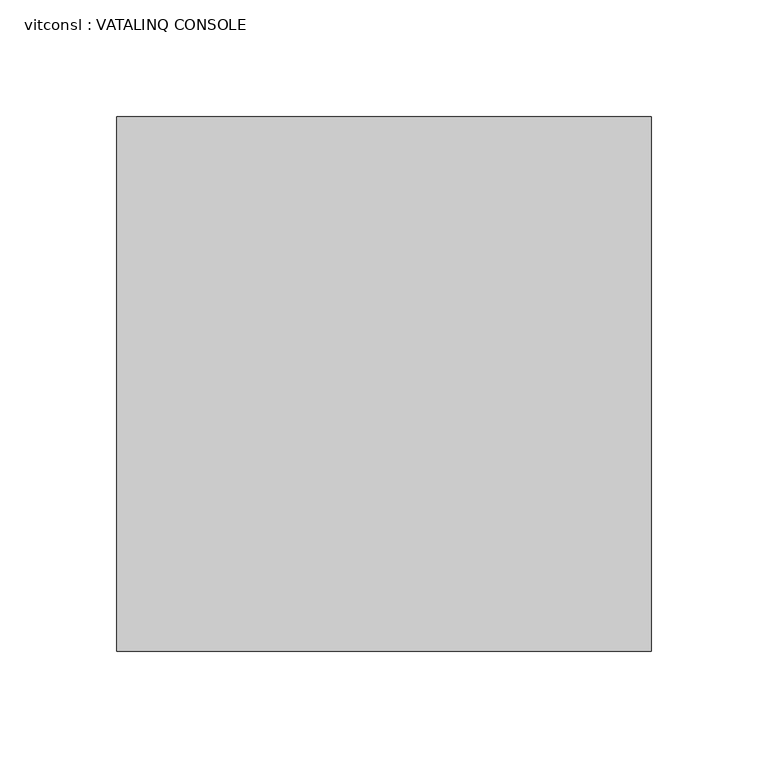
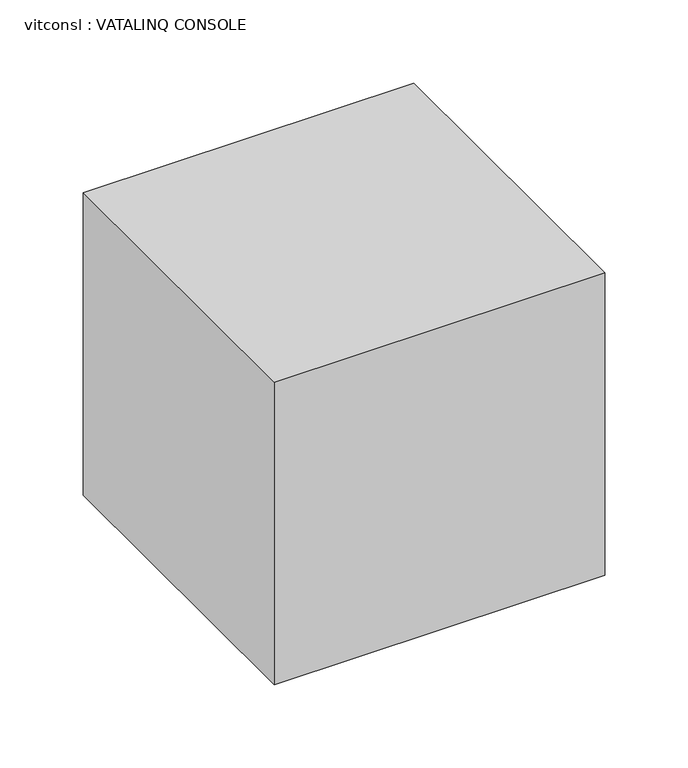
"""IFC4 building model written with IfcOpenShell, lengths in millimetres: proxy geometry, vitconsl : VATALINQ CONSOLE."""

import ifcopenshell
import ifcopenshell.guid

model = None  # the IFC model being written
_history = None  # IfcOwnerHistory: only IFC2X3 demands one
_inside = {}  # id of a spatial element -> (the spatial element, [elements in it])
_under = {}  # id of a project, library or spatial element -> (it, [spatial elements below it])
_declared = {}  # id of a project -> (the project, [libraries it declares])
_typed = {}  # id of a type object -> (the type object, [elements of that type])
_made_of = {}  # id of a material, layer set ... -> (it, [elements and type objects made of it])


def new_model(schema):
    """Start an empty IFC model of exactly this schema.

    Asked for "IFC4X3", IfcOpenShell would pick the latest addendum, in which some entities
    have other attributes; the version numbers below select the first issue.
    IFC2X3 requires an IfcOwnerHistory on every rooted entity: one is made here for all.
    """
    global model, _history
    if schema == "IFC4X3":
        model = ifcopenshell.file(schema_version=(4, 3, 0, 0))
    else:
        model = ifcopenshell.file(schema=schema)
    _inside.clear()
    _under.clear()
    _declared.clear()
    _typed.clear()
    _made_of.clear()
    _history = None
    if model.schema == "IFC2X3":
        org = make("IfcOrganization", Name="unknown")
        user = make(
            "IfcPersonAndOrganization",
            ThePerson=make("IfcPerson", FamilyName="unknown"),
            TheOrganization=org,
        )
        app = make(
            "IfcApplication",
            ApplicationDeveloper=org,
            Version="unknown",
            ApplicationFullName="unknown",
            ApplicationIdentifier="unknown",
        )
        _history = make(
            "IfcOwnerHistory",
            OwningUser=user,
            OwningApplication=app,
            ChangeAction="ADDED",
            CreationDate=0,
        )
    return model


def make(cls, **values):
    """One entity of the class cls with the attributes given. An attribute that is None is left unset."""
    return model.create_entity(
        cls, **{name: value for name, value in values.items() if value is not None}
    )


def rooted(cls, **values):
    """An entity with a GlobalId (a new one), such as an element, a storey or a relation."""
    return make(cls, GlobalId=ifcopenshell.guid.new(), OwnerHistory=_history, **values)


def si_unit(unit_type, name, prefix=None):
    """IfcSIUnit, for example si_unit("LENGTHUNIT", "METRE", prefix="MILLI")."""
    return make("IfcSIUnit", UnitType=unit_type, Prefix=prefix, Name=name)


def assignment(units):
    """IfcUnitAssignment: the units of a project."""
    return None if units is None else make("IfcUnitAssignment", Units=units)


def point(xyz):
    """IfcCartesianPoint."""
    return None if xyz is None else make("IfcCartesianPoint", Coordinates=xyz)


def direction(xyz):
    """IfcDirection."""
    return None if xyz is None else make("IfcDirection", DirectionRatios=xyz)


def frame(location, z_axis=None, x_axis=None):
    """IfcAxis2Placement3D, a coordinate frame: its origin and axes. An axis left out is left unset."""
    return make(
        "IfcAxis2Placement3D",
        Location=point(location),
        Axis=direction(z_axis),
        RefDirection=direction(x_axis),
    )


def origin():
    """The frame at (0, 0, 0) with its axes left unset."""
    return frame((0.0, 0.0, 0.0))


def place(relative_to, where):
    """IfcLocalPlacement: puts the frame where relative to a parent placement (None: the world)."""
    return make(
        "IfcLocalPlacement", PlacementRelTo=relative_to, RelativePlacement=where
    )


def context(
    kind, dimensions, precision=None, world=None, true_north=None, identifier=None
):
    """IfcGeometricRepresentationContext, for example the 3D "Model" context."""
    return make(
        "IfcGeometricRepresentationContext",
        ContextIdentifier=identifier,
        ContextType=kind,
        CoordinateSpaceDimension=dimensions,
        Precision=precision,
        WorldCoordinateSystem=world,
        TrueNorth=true_north,
    )


def project(units=None, contexts=None):
    """IfcProject with its units and contexts."""
    return rooted(
        "IfcProject",
        Name="project",
        RepresentationContexts=contexts,
        UnitsInContext=assignment(units),
    )


def spatial(cls, under=None, at=None, **own):
    """A site, building, storey or space (cls), placed at a placement, below another one or the project."""
    s = rooted(cls, ObjectPlacement=at, **own)
    if under is not None:
        _under.setdefault(under.id(), (under, []))[1].append(s)
    return s


def polyline(points):
    """IfcPolyline through the points."""
    return make("IfcPolyline", Points=[point(p) for p in points])


def outline(outer, holes=None, kind="AREA"):
    """IfcArbitraryClosedProfileDef: a profile drawn as a closed curve; with holes, ...WithVoids."""
    if holes is None:
        return make("IfcArbitraryClosedProfileDef", ProfileType=kind, OuterCurve=outer)
    return make(
        "IfcArbitraryProfileDefWithVoids",
        ProfileType=kind,
        OuterCurve=outer,
        InnerCurves=holes,
    )


def extrude(swept, where, along, depth):
    """IfcExtrudedAreaSolid: the profile swept, set in the frame where, extruded along a direction by depth."""
    return make(
        "IfcExtrudedAreaSolid",
        SweptArea=swept,
        Position=where,
        ExtrudedDirection=direction(along),
        Depth=depth,
    )


def shape(context_of_items, identifier, shape_type, items):
    """IfcShapeRepresentation: the items that make up one representation, for example the "Body"."""
    return make(
        "IfcShapeRepresentation",
        ContextOfItems=context_of_items,
        RepresentationIdentifier=identifier,
        RepresentationType=shape_type,
        Items=items,
    )


def source(mapping_origin, context_of_items, identifier, shape_type, items):
    """IfcRepresentationMap: a shape defined once, which mapped items show again and again."""
    return make(
        "IfcRepresentationMap",
        MappingOrigin=mapping_origin,
        MappedRepresentation=shape(context_of_items, identifier, shape_type, items),
    )


def transform(
    local_origin,
    x_axis=None,
    y_axis=None,
    z_axis=None,
    scale=None,
    scale2=None,
    scale3=None,
    uniform=True,
):
    """IfcCartesianTransformationOperator3D, or its non-uniform kind. x_axis, y_axis, z_axis: its Axis1, 2, 3."""
    if uniform:
        return make(
            "IfcCartesianTransformationOperator3D",
            Axis1=direction(x_axis),
            Axis2=direction(y_axis),
            LocalOrigin=point(local_origin),
            Scale=scale,
            Axis3=direction(z_axis),
        )
    return make(
        "IfcCartesianTransformationOperator3DnonUniform",
        Axis1=direction(x_axis),
        Axis2=direction(y_axis),
        LocalOrigin=point(local_origin),
        Scale=scale,
        Axis3=direction(z_axis),
        Scale2=scale2,
        Scale3=scale3,
    )


def mapped(mapping_source, mapping_target):
    """IfcMappedItem: shows the shape of a source again, moved by a transform."""
    return make(
        "IfcMappedItem", MappingSource=mapping_source, MappingTarget=mapping_target
    )


def made_of(thing, what):
    """Note that an element or type object is made of a material, layer set ...; save() writes the relation."""
    if what is not None:
        _made_of.setdefault(what.id(), (what, []))[1].append(thing)
    return thing


def element(
    cls,
    number,
    at=None,
    inside=None,
    cuts=None,
    type_object=None,
    material=None,
    context=None,
    identifier="Body",
    shape_type=None,
    held_by="IfcProductDefinitionShape",
    body=None,
    shapes=None,
    **own,
):
    """One element of the class cls, such as IfcWall. Its Tag is "e" and its number.

    at: its placement. inside: the storey or other place that contains it. cuts: it is an
    opening in that element (IfcRelVoidsElement). A single representation is given by context,
    identifier, shape_type and body (its items); several are given by shapes. held_by: the class
    of the entity that holds the representations. save() writes the other relations.
    """
    e = rooted(cls, Tag="e%d" % number, ObjectPlacement=at, **own)
    if body is not None:
        shapes = [shape(context, identifier, shape_type, body)]
    if shapes is not None:
        e.Representation = make(held_by, Representations=shapes)
    if inside is not None:
        _inside.setdefault(inside.id(), (inside, []))[1].append(e)
    if cuts is not None:
        rooted(
            "IfcRelVoidsElement", RelatingBuildingElement=cuts, RelatedOpeningElement=e
        )
    if type_object is not None:
        _typed.setdefault(type_object.id(), (type_object, []))[1].append(e)
    return made_of(e, material)


def aggregate(whole, parts):
    """IfcRelAggregates: a whole, such as a stair, and the parts it consists of."""
    return rooted("IfcRelAggregates", RelatingObject=whole, RelatedObjects=parts)


def save(model, path):
    """Write the relations noted so far, then the file.

    IfcRelAggregates (storeys below a building ...), IfcRelContainedInSpatialStructure (elements
    in a storey), IfcRelDefinesByType, IfcRelAssociatesMaterial and IfcRelDeclares: one each for
    every whole, place, type object, material and project.
    """
    for whole, parts in _under.values():
        aggregate(whole, parts)
    for where, things in _inside.values():
        rooted(
            "IfcRelContainedInSpatialStructure",
            RelatedElements=things,
            RelatingStructure=where,
        )
    for kind, things in _typed.values():
        rooted("IfcRelDefinesByType", RelatedObjects=things, RelatingType=kind)
    for what, things in _made_of.values():
        rooted("IfcRelAssociatesMaterial", RelatedObjects=things, RelatingMaterial=what)
    for by, libraries in _declared.values():
        rooted("IfcRelDeclares", RelatingContext=by, RelatedDefinitions=libraries)
    model.write(path)


def vitconsl_vatalinq_console_3100a4d3(model_context):
    return source(origin(), model_context, "Body", "SweptSolid", [
        extrude(outline(polyline([(153.9693622, -183.158205), (153.9693622, -411.758205), (-74.6306378, -411.758205), (-74.6306378, -183.158205), (153.9693622, -183.158205)])), frame((0.0, 0.0, 914.4), z_axis=(0.0, 0.0, 1.0), x_axis=(1.0, 0.0, 0.0)), (0.0, 0.0, 1.0), 221.0989975),
    ])


if __name__ == "__main__":
    model = new_model("IFC4")
    model_context = context("Model", 3, world=origin())
    ifc_project = project(units=[si_unit("LENGTHUNIT", "METRE", prefix="MILLI")], contexts=[model_context])
    site = spatial("IfcSite", under=ifc_project)
    building = spatial("IfcBuilding", under=site)
    placement = place(None, origin())
    vitconsl_vatalinq_console_shape = vitconsl_vatalinq_console_3100a4d3(model_context)
    element("IfcBuildingElementProxy", 1, Name="vitconsl : VATALINQ CONSOLE", ObjectType="vitconsl : VATALINQ CONSOLE", at=placement, inside=building, context=model_context, shape_type="MappedRepresentation", body=[
        mapped(vitconsl_vatalinq_console_shape, transform((0.0, 0.0, 0.0), x_axis=(1.0, 0.0, 0.0), y_axis=(0.0, 1.0, 0.0), z_axis=(0.0, 0.0, 1.0))),
    ])
    save(model, "model.ifc")
